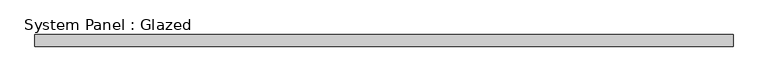
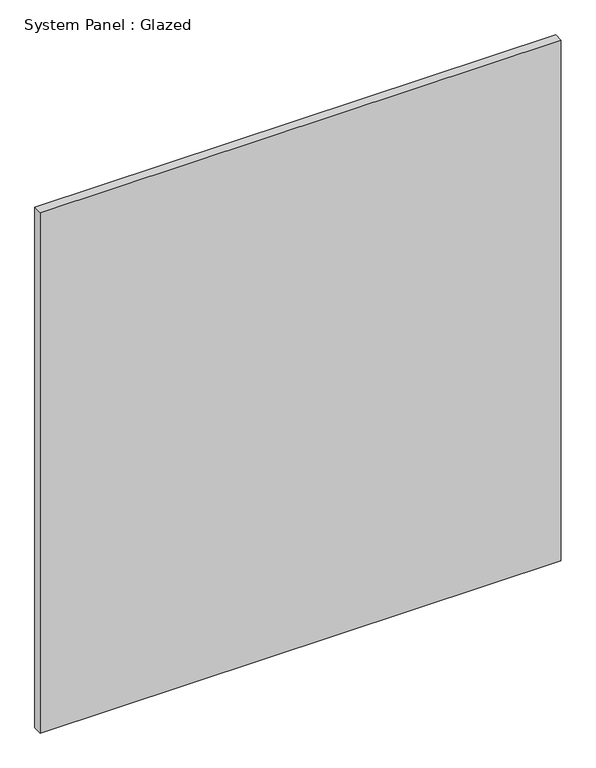
"""IFC4 building model written with IfcOpenShell, lengths in millimetres: plate geometry, System Panel : Glazed."""

from ifc_helpers import new_model, si_unit, origin, origin_with_axes, place, context, project, spatial, polyline, outline, extrude, source, transform, mapped, element, save


def system_panel_glazed_68c00938(model_context):
    return source(origin(), model_context, "Body", "SweptSolid", [
        extrude(outline(polyline([(722.2222222, 24.5), (-722.2222222, 24.5), (-722.2222222, 49.5), (722.2222222, 49.5), (722.2222222, 24.5)])), origin_with_axes(), (0.0, 0.0, 1.0), 1525.0),
    ])


if __name__ == "__main__":
    model = new_model("IFC4")
    model_context = context("Model", 3, world=origin())
    ifc_project = project(units=[si_unit("LENGTHUNIT", "METRE", prefix="MILLI")], contexts=[model_context])
    site = spatial("IfcSite", under=ifc_project)
    building = spatial("IfcBuilding", under=site)
    placement = place(None, origin())
    system_panel_glazed_shape = system_panel_glazed_68c00938(model_context)
    element("IfcPlate", 1, ObjectType="System Panel : Glazed", at=placement, inside=building, context=model_context, shape_type="MappedRepresentation", body=[
        mapped(system_panel_glazed_shape, transform((0.0, 0.0, 0.0), x_axis=(1.0, 0.0, 0.0), y_axis=(0.0, 1.0, 0.0), z_axis=(0.0, 0.0, 1.0))),
    ])
    save(model, "model.ifc")
